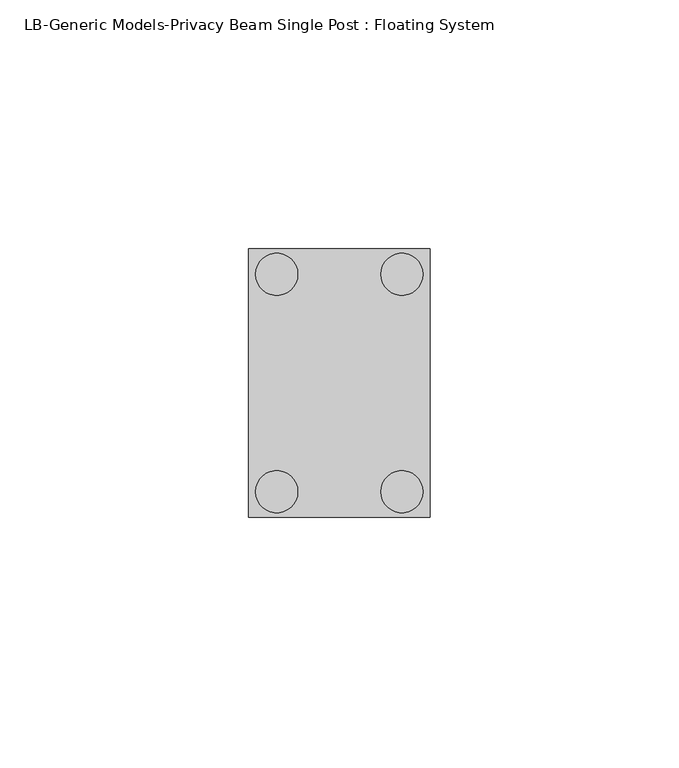
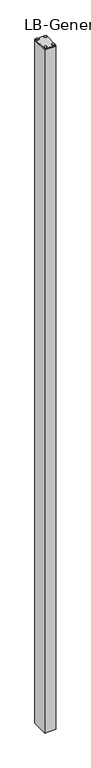
"""IFC4 building model written with IfcOpenShell, lengths in millimetres: proxy geometry, LB-Generic Models-Privacy Beam Single Post : Floating System."""

from ifc_helpers import new_model, si_unit, point, frame, frame_2d, origin, origin_with_axes, place, context, project, spatial, polyline, circle_curve, trimmed, segment, composite_curve, outline, extrude, source, transform, mapped, element, save


def lb_generic_models_privacy_beam_single_post_floating_system_b3179ca9(model_context):
    return source(origin(), model_context, "Body", "SweptSolid", [
        extrude(outline(polyline([(15.081, -15.875), (11.017, -15.875), (11.017, 15.875), (15.081, 15.875), (15.081, -15.875)])), origin_with_axes(), (0.0, 0.0, 1.0), 1739.9),
        extrude(outline(polyline([(-18.2565, -26.9875), (-18.2565, 26.9875), (18.2565, 26.9875), (18.2565, -26.9875), (-18.2565, -26.9875)])), frame((0.0, 0.0, 1739.9), z_axis=(0.0, 0.0, 1.0), x_axis=(1.0, 0.0, 0.0)), (0.0, 0.0, 1.0), 4.0792363),
        extrude(outline(polyline([(-18.2565, -26.9875), (-18.2565, 26.9875), (18.2565, 26.9875), (18.2565, 13.4874), (15.081, 13.4874), (15.081, 23.8125), (-15.0815, 23.8125), (-15.0815, -23.8125), (15.081, -23.8125), (15.081, -13.4874), (18.2565, -13.4874), (18.2565, -26.9875), (-18.2565, -26.9875)])), frame((0.0, 0.0, -579.9666667), z_axis=(0.0, 0.0, 1.0), x_axis=(1.0, 0.0, 0.0)), (0.0, 0.0, 1.0), 2319.8666667),
        extrude(outline(composite_curve([segment(trimmed(circle_curve(frame_2d((-12.586, -21.844)), 4.2243107), [point((-16.8103107, -21.844))], [point((-8.3616893, -21.844))], False, "CARTESIAN"), True, "CONTINUOUS"), segment(trimmed(circle_curve(frame_2d((-12.586, -21.844)), 4.2243107), [point((-8.3616893, -21.844))], [point((-16.8103107, -21.844))], False, "CARTESIAN"), True, "CONTINUOUS")], self_intersect=False)), frame((0.0, 0.0, 1743.9792363), z_axis=(0.0, 0.0, 1.0), x_axis=(1.0, 0.0, 0.0)), (0.0, 0.0, 1.0), 1.6499867),
        extrude(outline(composite_curve([segment(trimmed(circle_curve(frame_2d((12.586, -21.844)), 4.2243107), [point((8.3616893, -21.844))], [point((16.8103107, -21.844))], False, "CARTESIAN"), True, "CONTINUOUS"), segment(trimmed(circle_curve(frame_2d((12.586, -21.844)), 4.2243107), [point((16.8103107, -21.844))], [point((8.3616893, -21.844))], False, "CARTESIAN"), True, "CONTINUOUS")], self_intersect=False)), frame((0.0, 0.0, 1743.9792363), z_axis=(0.0, 0.0, 1.0), x_axis=(1.0, 0.0, 0.0)), (0.0, 0.0, 1.0), 1.6499867),
        extrude(outline(composite_curve([segment(trimmed(circle_curve(frame_2d((12.586, 21.844)), 4.2243107), [point((8.3616893, 21.844))], [point((16.8103107, 21.844))], False, "CARTESIAN"), True, "CONTINUOUS"), segment(trimmed(circle_curve(frame_2d((12.586, 21.844)), 4.2243107), [point((16.8103107, 21.844))], [point((8.3616893, 21.844))], False, "CARTESIAN"), True, "CONTINUOUS")], self_intersect=False)), frame((0.0, 0.0, 1743.9792363), z_axis=(0.0, 0.0, 1.0), x_axis=(1.0, 0.0, 0.0)), (0.0, 0.0, 1.0), 1.6499867),
        extrude(outline(composite_curve([segment(trimmed(circle_curve(frame_2d((-12.586, 21.844)), 4.2243107), [point((-16.8103107, 21.844))], [point((-8.3616893, 21.844))], False, "CARTESIAN"), True, "CONTINUOUS"), segment(trimmed(circle_curve(frame_2d((-12.586, 21.844)), 4.2243107), [point((-8.3616893, 21.844))], [point((-16.8103107, 21.844))], False, "CARTESIAN"), True, "CONTINUOUS")], self_intersect=False)), frame((0.0, 0.0, 1743.9792363), z_axis=(0.0, 0.0, 1.0), x_axis=(1.0, 0.0, 0.0)), (0.0, 0.0, 1.0), 1.6499867),
    ])


if __name__ == "__main__":
    model = new_model("IFC4")
    model_context = context("Model", 3, world=origin())
    ifc_project = project(units=[si_unit("LENGTHUNIT", "METRE", prefix="MILLI")], contexts=[model_context])
    site = spatial("IfcSite", under=ifc_project)
    building = spatial("IfcBuilding", under=site)
    placement = place(None, origin())
    lb_generic_models_privacy_beam_single_post_floating_system_shape = lb_generic_models_privacy_beam_single_post_floating_system_b3179ca9(model_context)
    element("IfcBuildingElementProxy", 1, Name="LB-Generic Models-Privacy Beam Single Post : Floating System", ObjectType="LB-Generic Models-Privacy Beam Single Post : Floating System", at=placement, inside=building, context=model_context, shape_type="MappedRepresentation", body=[
        mapped(lb_generic_models_privacy_beam_single_post_floating_system_shape, transform((0.0, 0.0, 0.0), x_axis=(1.0, 0.0, 0.0), y_axis=(0.0, 1.0, 0.0), z_axis=(0.0, 0.0, 1.0))),
    ])
    save(model, "model.ifc")
